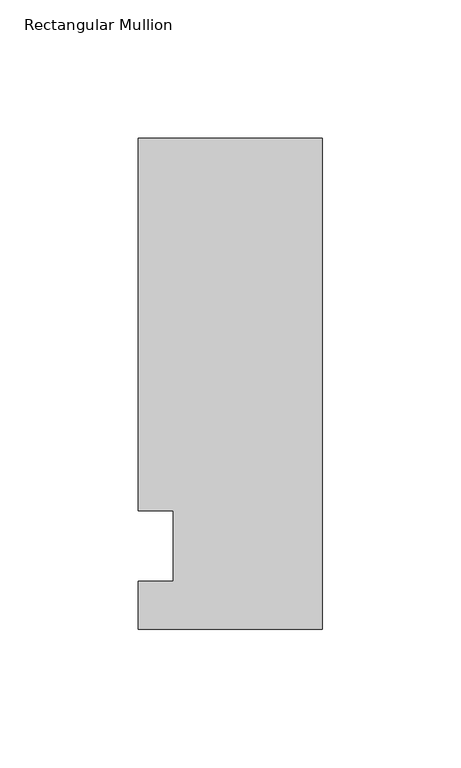
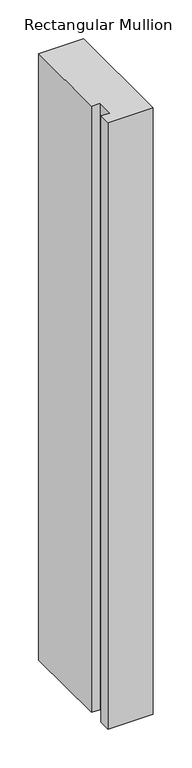
"""IFC4 building model written with IfcOpenShell, lengths in millimetres: member geometry, Rectangular Mullion."""

from ifc_helpers import new_model, si_unit, frame, origin, place, context, project, spatial, polyline, outline, extrude, source, transform, mapped, element, save


def rectangular_mullion_2cb036b9(model_context):
    return source(origin(), model_context, "Body", "SweptSolid", [
        extrude(outline(polyline([(-66.675, 147.6375), (0.0, 147.6375), (0.0, -30.1625), (-66.675, -30.1625), (-66.675, -12.7), (-53.9732296, -12.7), (-53.9732296, 12.7), (-66.675, 12.7), (-66.675, 147.6375)])), frame((0.0, 0.0, -949.325), z_axis=(0.0, 0.0, 1.0), x_axis=(1.0, 0.0, 0.0)), (0.0, 0.0, 1.0), 949.325),
    ])


if __name__ == "__main__":
    model = new_model("IFC4")
    model_context = context("Model", 3, world=origin())
    ifc_project = project(units=[si_unit("LENGTHUNIT", "METRE", prefix="MILLI")], contexts=[model_context])
    site = spatial("IfcSite", under=ifc_project)
    building = spatial("IfcBuilding", under=site)
    placement = place(None, origin())
    rectangular_mullion_shape = rectangular_mullion_2cb036b9(model_context)
    element("IfcMember", 1, ObjectType="Rectangular Mullion", at=placement, inside=building, context=model_context, shape_type="MappedRepresentation", body=[
        mapped(rectangular_mullion_shape, transform((0.0, 0.0, 0.0), x_axis=(1.0, 0.0, 0.0), y_axis=(0.0, 1.0, 0.0), z_axis=(0.0, 0.0, 1.0))),
    ])
    save(model, "model.ifc")
